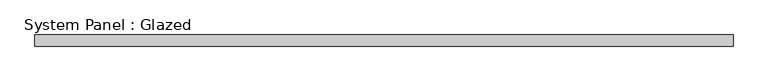
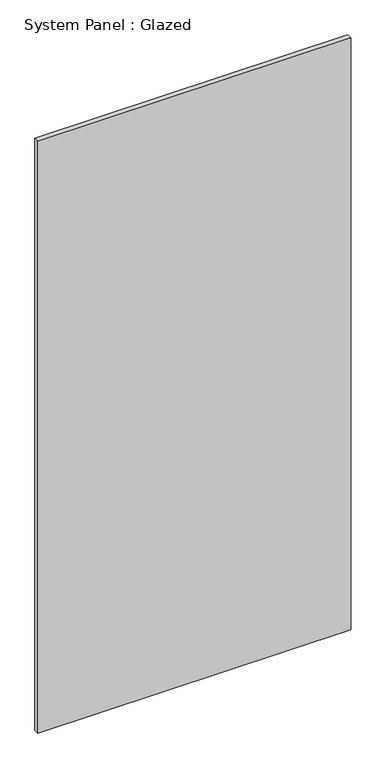
"""IFC4 building model written with IfcOpenShell, lengths in millimetres: plate geometry, System Panel : Glazed."""

from ifc_helpers import new_model, si_unit, origin, origin_with_axes, place, context, project, spatial, polyline, outline, extrude, source, transform, mapped, element, save


def system_panel_glazed_2ddbd423(model_context):
    return source(origin(), model_context, "Body", "SweptSolid", [
        extrude(outline(polyline([(768.25, 19.05), (-768.25, 19.05), (-768.25, 44.45), (768.25, 44.45), (768.25, 19.05)])), origin_with_axes(), (0.0, 0.0, 1.0), 3073.0),
    ])


if __name__ == "__main__":
    model = new_model("IFC4")
    model_context = context("Model", 3, world=origin())
    ifc_project = project(units=[si_unit("LENGTHUNIT", "METRE", prefix="MILLI")], contexts=[model_context])
    site = spatial("IfcSite", under=ifc_project)
    building = spatial("IfcBuilding", under=site)
    placement = place(None, origin())
    system_panel_glazed_shape = system_panel_glazed_2ddbd423(model_context)
    element("IfcPlate", 1, ObjectType="System Panel : Glazed", at=placement, inside=building, context=model_context, shape_type="MappedRepresentation", body=[
        mapped(system_panel_glazed_shape, transform((0.0, 0.0, 0.0), x_axis=(1.0, 0.0, 0.0), y_axis=(0.0, 1.0, 0.0), z_axis=(0.0, 0.0, 1.0))),
    ])
    save(model, "model.ifc")
